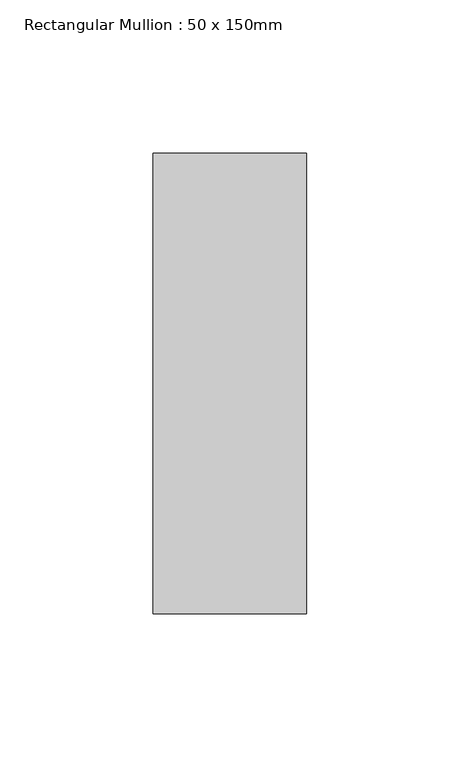
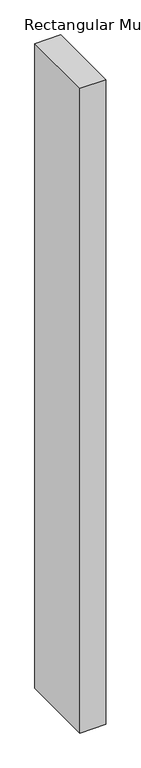
"""IFC4 building model written with IfcOpenShell, lengths in millimetres: member geometry, Rectangular Mullion : 50 x 150mm."""

from ifc_helpers import new_model, si_unit, frame, origin, place, context, project, spatial, polyline, outline, extrude, source, transform, mapped, element, save


def rectangular_mullion_50_x_150mm_5cfd7e73(model_context):
    return source(origin(), model_context, "Body", "SweptSolid", [
        extrude(outline(polyline([(25.0, 75.0), (25.0, -75.0), (-25.0, -75.0), (-25.0, 75.0), (25.0, 75.0)])), frame((0.0, 0.0, -1310.7142857), z_axis=(0.0, 0.0, 1.0), x_axis=(1.0, 0.0, 0.0)), (0.0, 0.0, 1.0), 1310.7142857),
    ])


if __name__ == "__main__":
    model = new_model("IFC4")
    model_context = context("Model", 3, world=origin())
    ifc_project = project(units=[si_unit("LENGTHUNIT", "METRE", prefix="MILLI")], contexts=[model_context])
    site = spatial("IfcSite", under=ifc_project)
    building = spatial("IfcBuilding", under=site)
    placement = place(None, origin())
    rectangular_mullion_50_x_150mm_shape = rectangular_mullion_50_x_150mm_5cfd7e73(model_context)
    element("IfcMember", 1, ObjectType="Rectangular Mullion : 50 x 150mm", at=placement, inside=building, context=model_context, shape_type="MappedRepresentation", body=[
        mapped(rectangular_mullion_50_x_150mm_shape, transform((0.0, 0.0, 0.0), x_axis=(1.0, 0.0, 0.0), y_axis=(0.0, 1.0, 0.0), z_axis=(0.0, 0.0, 1.0))),
    ])
    save(model, "model.ifc")
